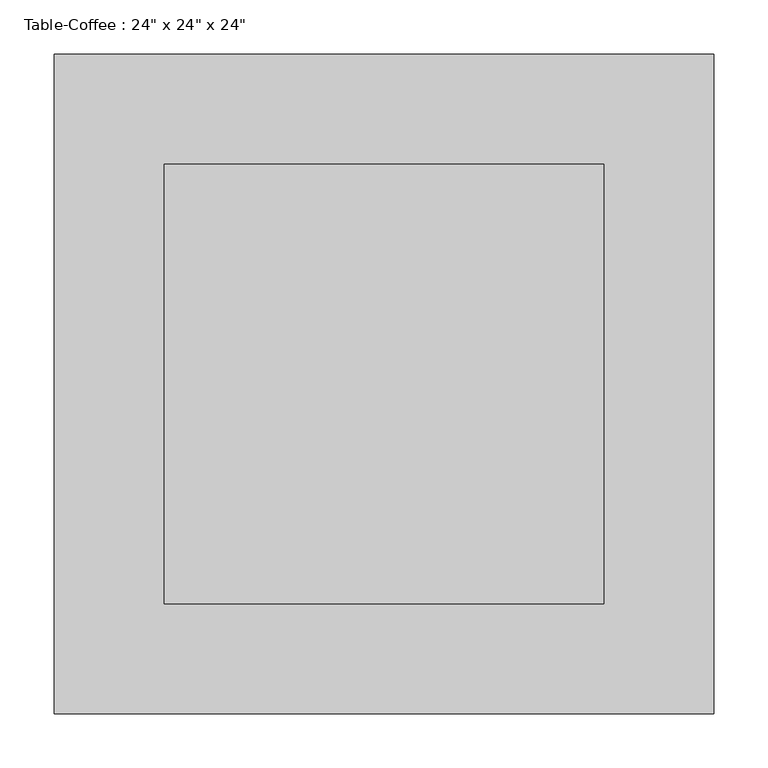
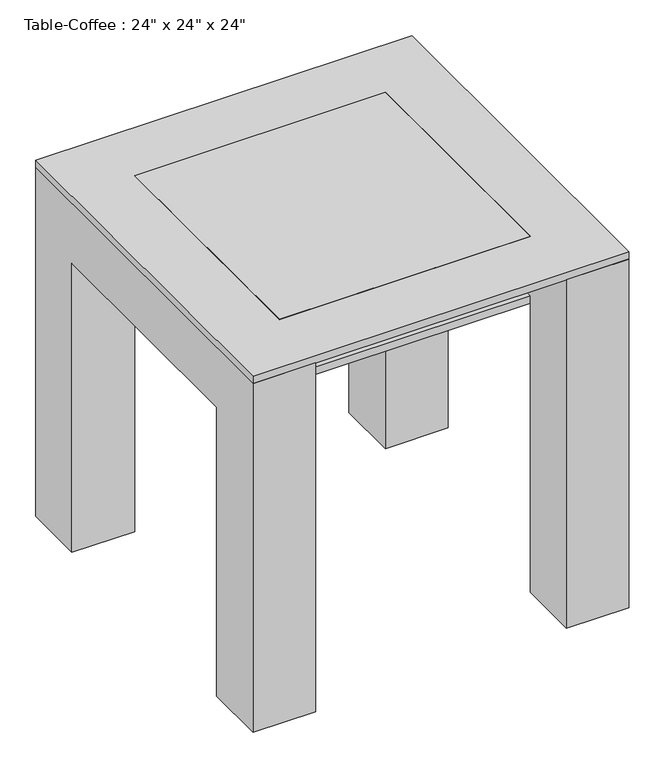
"""IFC4 building model written with IfcOpenShell, lengths in millimetres: furniture geometry."""

from ifc_helpers import new_model, si_unit, frame, origin, place, context, project, spatial, polyline, outline, extrude, source, transform, mapped, element, save


def furniture_b5c51a22(model_context):
    return source(origin(), model_context, "Body", "SweptSolid", [
        extrude(outline(polyline([(221.4657667, 298.4110778), (221.4657667, -107.9889222), (-184.9342333, -107.9889222), (-184.9342333, 298.4110778), (221.4657667, 298.4110778)])), frame((0.0, 0.0, 495.3), z_axis=(0.0, 0.0, 1.0), x_axis=(1.0, 0.0, 0.0)), (0.0, 0.0, 1.0), 12.7),
        extrude(outline(polyline([(400.0110778, 0.0), (298.4110778, 0.0), (298.4110778, 495.3), (-107.9889222, 495.3), (-107.9889222, 0.0), (-209.5889222, 0.0), (-209.5889222, 596.9), (400.0110778, 596.9), (400.0110778, 0.0)])), frame((221.4657667, 0.0, 0.0), z_axis=(1.0, 0.0, 0.0), x_axis=(0.0, 1.0, 0.0)), (0.0, 0.0, 1.0), 101.6),
        extrude(outline(polyline([(400.0110778, 596.9), (400.0110778, 0.0), (298.4110778, 0.0), (298.4110778, 495.3), (-107.9889222, 495.3), (-107.9889222, 0.0), (-209.5889222, 0.0), (-209.5889222, 596.9), (400.0110778, 596.9)])), frame((-286.5342333, 0.0, 0.0), z_axis=(1.0, 0.0, 0.0), x_axis=(0.0, 1.0, 0.0)), (0.0, 0.0, 1.0), 101.6),
        extrude(outline(polyline([(221.4657667, 298.4110778), (221.4657667, -107.9889222), (-184.9342333, -107.9889222), (-184.9342333, 298.4110778), (221.4657667, 298.4110778)])), frame((0.0, 0.0, 596.9), z_axis=(0.0, 0.0, 1.0), x_axis=(1.0, 0.0, 0.0)), (0.0, 0.0, 1.0), 12.7),
        extrude(outline(polyline([(323.0657667, 400.0110778), (323.0657667, -209.5889222), (-286.5342333, -209.5889222), (-286.5342333, 400.0110778), (323.0657667, 400.0110778)]), holes=[polyline([(221.4657667, 298.4110778), (-184.9342333, 298.4110778), (-184.9342333, -107.9889222), (221.4657667, -107.9889222), (221.4657667, 298.4110778)])]), frame((0.0, 0.0, 596.9), z_axis=(0.0, 0.0, 1.0), x_axis=(1.0, 0.0, 0.0)), (0.0, 0.0, 1.0), 12.7),
    ])


if __name__ == "__main__":
    model = new_model("IFC4")
    model_context = context("Model", 3, world=origin())
    ifc_project = project(units=[si_unit("LENGTHUNIT", "METRE", prefix="MILLI")], contexts=[model_context])
    site = spatial("IfcSite", under=ifc_project)
    building = spatial("IfcBuilding", under=site)
    placement = place(None, origin())
    furniture_shape = furniture_b5c51a22(model_context)
    element("IfcFurniture", 1, ObjectType="Table-Coffee : 24\" x 24\" x 24\"", at=placement, inside=building, context=model_context, shape_type="MappedRepresentation", body=[
        mapped(furniture_shape, transform((0.0, 0.0, 0.0), x_axis=(1.0, 0.0, 0.0), y_axis=(0.0, 1.0, 0.0), z_axis=(0.0, 0.0, 1.0))),
    ])
    save(model, "model.ifc")
